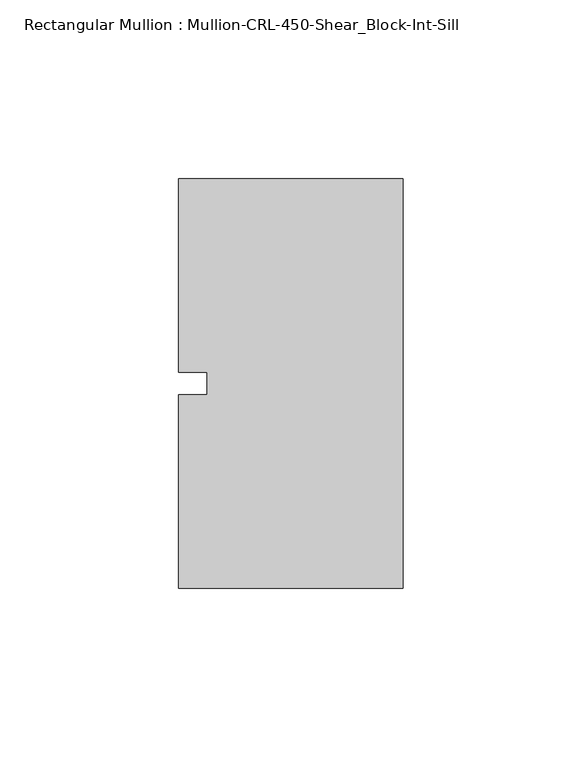
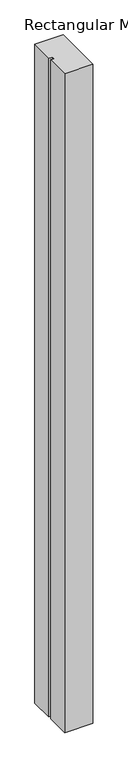
"""IFC4 building model written with IfcOpenShell, lengths in millimetres: member geometry, Rectangular Mullion : Mullion-CRL-450-Shear_Block-Int-Sill."""

import ifcopenshell
import ifcopenshell.guid

model = None  # the IFC model being written
_history = None  # IfcOwnerHistory: only IFC2X3 demands one
_inside = {}  # id of a spatial element -> (the spatial element, [elements in it])
_under = {}  # id of a project, library or spatial element -> (it, [spatial elements below it])
_declared = {}  # id of a project -> (the project, [libraries it declares])
_typed = {}  # id of a type object -> (the type object, [elements of that type])
_made_of = {}  # id of a material, layer set ... -> (it, [elements and type objects made of it])


def new_model(schema):
    """Start an empty IFC model of exactly this schema.

    Asked for "IFC4X3", IfcOpenShell would pick the latest addendum, in which some entities
    have other attributes; the version numbers below select the first issue.
    IFC2X3 requires an IfcOwnerHistory on every rooted entity: one is made here for all.
    """
    global model, _history
    if schema == "IFC4X3":
        model = ifcopenshell.file(schema_version=(4, 3, 0, 0))
    else:
        model = ifcopenshell.file(schema=schema)
    _inside.clear()
    _under.clear()
    _declared.clear()
    _typed.clear()
    _made_of.clear()
    _history = None
    if model.schema == "IFC2X3":
        org = make("IfcOrganization", Name="unknown")
        user = make(
            "IfcPersonAndOrganization",
            ThePerson=make("IfcPerson", FamilyName="unknown"),
            TheOrganization=org,
        )
        app = make(
            "IfcApplication",
            ApplicationDeveloper=org,
            Version="unknown",
            ApplicationFullName="unknown",
            ApplicationIdentifier="unknown",
        )
        _history = make(
            "IfcOwnerHistory",
            OwningUser=user,
            OwningApplication=app,
            ChangeAction="ADDED",
            CreationDate=0,
        )
    return model


def make(cls, **values):
    """One entity of the class cls with the attributes given. An attribute that is None is left unset."""
    return model.create_entity(
        cls, **{name: value for name, value in values.items() if value is not None}
    )


def rooted(cls, **values):
    """An entity with a GlobalId (a new one), such as an element, a storey or a relation."""
    return make(cls, GlobalId=ifcopenshell.guid.new(), OwnerHistory=_history, **values)


def si_unit(unit_type, name, prefix=None):
    """IfcSIUnit, for example si_unit("LENGTHUNIT", "METRE", prefix="MILLI")."""
    return make("IfcSIUnit", UnitType=unit_type, Prefix=prefix, Name=name)


def assignment(units):
    """IfcUnitAssignment: the units of a project."""
    return None if units is None else make("IfcUnitAssignment", Units=units)


def point(xyz):
    """IfcCartesianPoint."""
    return None if xyz is None else make("IfcCartesianPoint", Coordinates=xyz)


def direction(xyz):
    """IfcDirection."""
    return None if xyz is None else make("IfcDirection", DirectionRatios=xyz)


def frame(location, z_axis=None, x_axis=None):
    """IfcAxis2Placement3D, a coordinate frame: its origin and axes. An axis left out is left unset."""
    return make(
        "IfcAxis2Placement3D",
        Location=point(location),
        Axis=direction(z_axis),
        RefDirection=direction(x_axis),
    )


def origin():
    """The frame at (0, 0, 0) with its axes left unset."""
    return frame((0.0, 0.0, 0.0))


def place(relative_to, where):
    """IfcLocalPlacement: puts the frame where relative to a parent placement (None: the world)."""
    return make(
        "IfcLocalPlacement", PlacementRelTo=relative_to, RelativePlacement=where
    )


def context(
    kind, dimensions, precision=None, world=None, true_north=None, identifier=None
):
    """IfcGeometricRepresentationContext, for example the 3D "Model" context."""
    return make(
        "IfcGeometricRepresentationContext",
        ContextIdentifier=identifier,
        ContextType=kind,
        CoordinateSpaceDimension=dimensions,
        Precision=precision,
        WorldCoordinateSystem=world,
        TrueNorth=true_north,
    )


def project(units=None, contexts=None):
    """IfcProject with its units and contexts."""
    return rooted(
        "IfcProject",
        Name="project",
        RepresentationContexts=contexts,
        UnitsInContext=assignment(units),
    )


def spatial(cls, under=None, at=None, **own):
    """A site, building, storey or space (cls), placed at a placement, below another one or the project."""
    s = rooted(cls, ObjectPlacement=at, **own)
    if under is not None:
        _under.setdefault(under.id(), (under, []))[1].append(s)
    return s


def polyline(points):
    """IfcPolyline through the points."""
    return make("IfcPolyline", Points=[point(p) for p in points])


def outline(outer, holes=None, kind="AREA"):
    """IfcArbitraryClosedProfileDef: a profile drawn as a closed curve; with holes, ...WithVoids."""
    if holes is None:
        return make("IfcArbitraryClosedProfileDef", ProfileType=kind, OuterCurve=outer)
    return make(
        "IfcArbitraryProfileDefWithVoids",
        ProfileType=kind,
        OuterCurve=outer,
        InnerCurves=holes,
    )


def extrude(swept, where, along, depth):
    """IfcExtrudedAreaSolid: the profile swept, set in the frame where, extruded along a direction by depth."""
    return make(
        "IfcExtrudedAreaSolid",
        SweptArea=swept,
        Position=where,
        ExtrudedDirection=direction(along),
        Depth=depth,
    )


def shape(context_of_items, identifier, shape_type, items):
    """IfcShapeRepresentation: the items that make up one representation, for example the "Body"."""
    return make(
        "IfcShapeRepresentation",
        ContextOfItems=context_of_items,
        RepresentationIdentifier=identifier,
        RepresentationType=shape_type,
        Items=items,
    )


def source(mapping_origin, context_of_items, identifier, shape_type, items):
    """IfcRepresentationMap: a shape defined once, which mapped items show again and again."""
    return make(
        "IfcRepresentationMap",
        MappingOrigin=mapping_origin,
        MappedRepresentation=shape(context_of_items, identifier, shape_type, items),
    )


def transform(
    local_origin,
    x_axis=None,
    y_axis=None,
    z_axis=None,
    scale=None,
    scale2=None,
    scale3=None,
    uniform=True,
):
    """IfcCartesianTransformationOperator3D, or its non-uniform kind. x_axis, y_axis, z_axis: its Axis1, 2, 3."""
    if uniform:
        return make(
            "IfcCartesianTransformationOperator3D",
            Axis1=direction(x_axis),
            Axis2=direction(y_axis),
            LocalOrigin=point(local_origin),
            Scale=scale,
            Axis3=direction(z_axis),
        )
    return make(
        "IfcCartesianTransformationOperator3DnonUniform",
        Axis1=direction(x_axis),
        Axis2=direction(y_axis),
        LocalOrigin=point(local_origin),
        Scale=scale,
        Axis3=direction(z_axis),
        Scale2=scale2,
        Scale3=scale3,
    )


def mapped(mapping_source, mapping_target):
    """IfcMappedItem: shows the shape of a source again, moved by a transform."""
    return make(
        "IfcMappedItem", MappingSource=mapping_source, MappingTarget=mapping_target
    )


def made_of(thing, what):
    """Note that an element or type object is made of a material, layer set ...; save() writes the relation."""
    if what is not None:
        _made_of.setdefault(what.id(), (what, []))[1].append(thing)
    return thing


def element(
    cls,
    number,
    at=None,
    inside=None,
    cuts=None,
    type_object=None,
    material=None,
    context=None,
    identifier="Body",
    shape_type=None,
    held_by="IfcProductDefinitionShape",
    body=None,
    shapes=None,
    **own,
):
    """One element of the class cls, such as IfcWall. Its Tag is "e" and its number.

    at: its placement. inside: the storey or other place that contains it. cuts: it is an
    opening in that element (IfcRelVoidsElement). A single representation is given by context,
    identifier, shape_type and body (its items); several are given by shapes. held_by: the class
    of the entity that holds the representations. save() writes the other relations.
    """
    e = rooted(cls, Tag="e%d" % number, ObjectPlacement=at, **own)
    if body is not None:
        shapes = [shape(context, identifier, shape_type, body)]
    if shapes is not None:
        e.Representation = make(held_by, Representations=shapes)
    if inside is not None:
        _inside.setdefault(inside.id(), (inside, []))[1].append(e)
    if cuts is not None:
        rooted(
            "IfcRelVoidsElement", RelatingBuildingElement=cuts, RelatedOpeningElement=e
        )
    if type_object is not None:
        _typed.setdefault(type_object.id(), (type_object, []))[1].append(e)
    return made_of(e, material)


def aggregate(whole, parts):
    """IfcRelAggregates: a whole, such as a stair, and the parts it consists of."""
    return rooted("IfcRelAggregates", RelatingObject=whole, RelatedObjects=parts)


def save(model, path):
    """Write the relations noted so far, then the file.

    IfcRelAggregates (storeys below a building ...), IfcRelContainedInSpatialStructure (elements
    in a storey), IfcRelDefinesByType, IfcRelAssociatesMaterial and IfcRelDeclares: one each for
    every whole, place, type object, material and project.
    """
    for whole, parts in _under.values():
        aggregate(whole, parts)
    for where, things in _inside.values():
        rooted(
            "IfcRelContainedInSpatialStructure",
            RelatedElements=things,
            RelatingStructure=where,
        )
    for kind, things in _typed.values():
        rooted("IfcRelDefinesByType", RelatedObjects=things, RelatingType=kind)
    for what, things in _made_of.values():
        rooted("IfcRelAssociatesMaterial", RelatedObjects=things, RelatingMaterial=what)
    for by, libraries in _declared.values():
        rooted("IfcRelDeclares", RelatingContext=by, RelatedDefinitions=libraries)
    model.write(path)


def rectangular_mullion_mullion_crl_450_shear_block_int_sill_e28f3213(model_context):
    return source(origin(), model_context, "Body", "SweptSolid", [
        extrude(outline(polyline([(-62.70625, 3.175), (-62.70625, 57.15), (0.0, 57.15), (0.0, -57.15), (-62.70625, -57.15), (-62.70625, -3.175), (-54.76875, -3.175), (-54.76875, 3.175), (-62.70625, 3.175)])), frame((0.0, 0.0, -1545.1666667), z_axis=(0.0, 0.0, 1.0), x_axis=(1.0, 0.0, 0.0)), (0.0, 0.0, 1.0), 1545.1666667),
    ])


if __name__ == "__main__":
    model = new_model("IFC4")
    model_context = context("Model", 3, world=origin())
    ifc_project = project(units=[si_unit("LENGTHUNIT", "METRE", prefix="MILLI")], contexts=[model_context])
    site = spatial("IfcSite", under=ifc_project)
    building = spatial("IfcBuilding", under=site)
    placement = place(None, origin())
    rectangular_mullion_mullion_crl_450_shear_block_int_sill_shape = rectangular_mullion_mullion_crl_450_shear_block_int_sill_e28f3213(model_context)
    element("IfcMember", 1, ObjectType="Rectangular Mullion : Mullion-CRL-450-Shear_Block-Int-Sill", at=placement, inside=building, context=model_context, shape_type="MappedRepresentation", body=[
        mapped(rectangular_mullion_mullion_crl_450_shear_block_int_sill_shape, transform((0.0, 0.0, 0.0), x_axis=(1.0, 0.0, 0.0), y_axis=(0.0, 1.0, 0.0), z_axis=(0.0, 0.0, 1.0))),
    ])
    save(model, "model.ifc")
